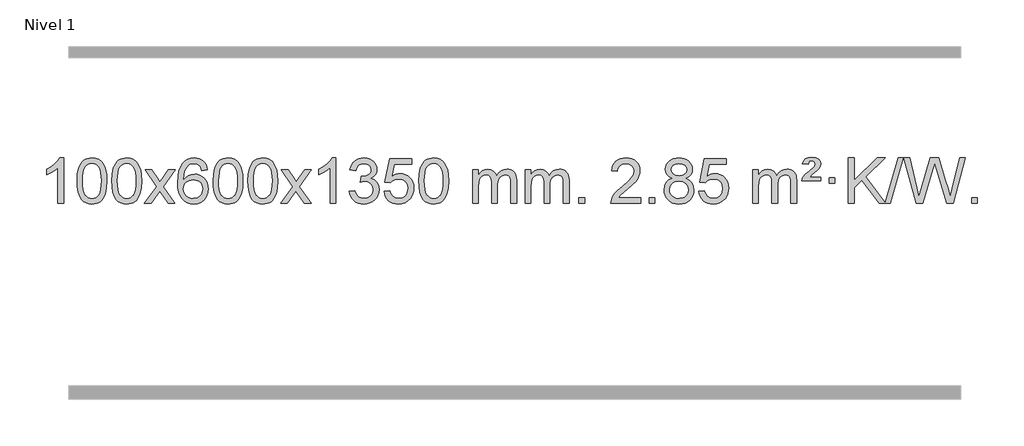
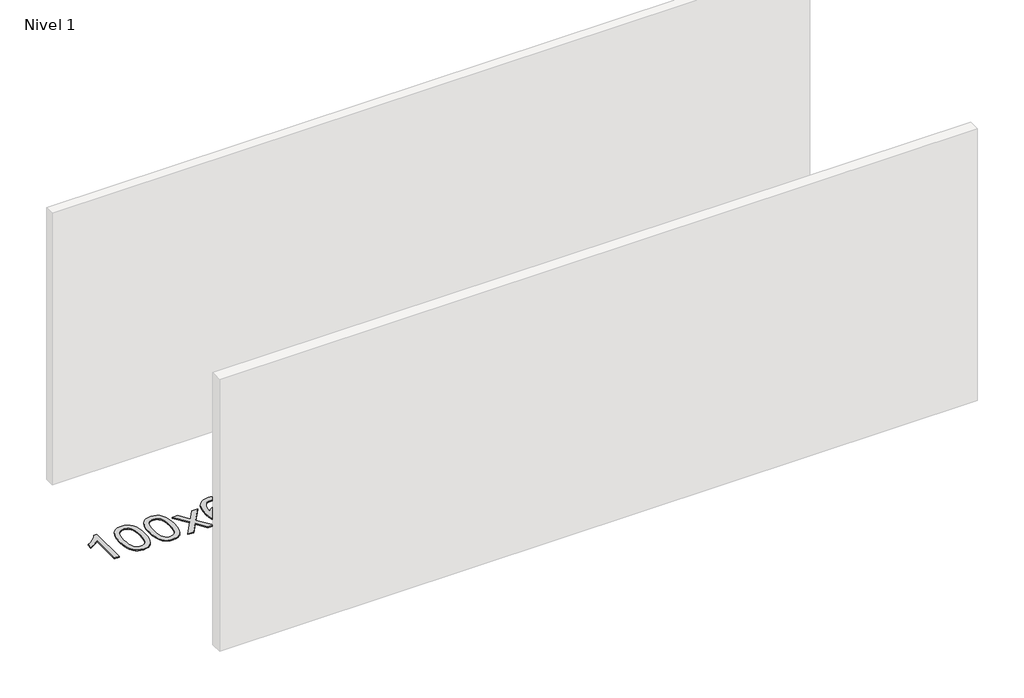
# One storey, part 3 of 7: 1 proxy.
"""IFC4 building model written with IfcOpenShell, lengths in millimetres."""

from ifc_helpers import new_model, si_unit, origin, origin_with_axes, place, context, project, spatial, polyline, outline, extrude, element, save

model = new_model("IFC4")

# Units and contexts
model_context = context("Model", 3, world=origin())
ifc_project = project(units=[si_unit("LENGTHUNIT", "METRE", prefix="MILLI")], contexts=[model_context])

# Site, building, storey
site = spatial("IfcSite", under=ifc_project)
building = spatial("IfcBuilding", under=site)
storey = spatial("IfcBuildingStorey", under=building, Name="Nivel 1", Elevation=0.0)

# Proxy
placement = place(None, origin())
element("IfcBuildingElementProxy", 1, Name="Texto de modelo 1", ObjectType="Texto de modelo 1", at=placement, inside=storey, context=model_context, shape_type="SweptSolid", body=[
    extrude(outline(polyline([(-6575.4615788, -9399.579453), (-6625.6897338, -9399.579453), (-6625.6897338, -9086.4382987), (-6646.6590076, -9103.3976587), (-6673.2691385, -9120.3324932), (-6726.146044, -9145.6918254), (-6726.146044, -9098.2105225), (-6686.6968314, -9076.7507395), (-6652.520594, -9051.219729), (-6625.5793692, -9024.0700378), (-6607.8351943, -8997.7542124), (-6575.4615788, -8997.7542124), (-6575.4615788, -9399.579453)])), origin_with_axes(), (0.0, 0.0, 1.0), 10.0),
    extrude(outline(polyline([(-6456.1697105, -9201.9041943), (-6452.4786278, -9137.5861588), (-6441.4053797, -9086.2911459), (-6423.0603309, -9047.2343407), (-6411.2022679, -9032.0009605), (-6397.5538459, -9019.6309284), (-6382.0690796, -9010.0598651), (-6364.7019837, -9003.2233914), (-6324.3208034, -8997.7542124), (-6293.3696649, -9000.991574), (-6265.6558879, -9010.7036586), (-6242.4793222, -9026.5103217), (-6225.1398175, -9048.0314184), (-6212.0432185, -9075.0830078), (-6201.5953698, -9107.4811488), (-6194.7527647, -9148.6226186), (-6192.4718963, -9201.9041943), (-6196.1261908, -9265.8543477), (-6207.0890743, -9317.0267333), (-6225.3237585, -9356.1203266), (-6237.1542303, -9371.3996922), (-6250.7934553, -9383.8341036), (-6266.2966157, -9393.4695462), (-6283.7188939, -9400.3520052), (-6324.3208034, -9405.8579724), (-6351.9855294, -9403.4667394), (-6376.5109958, -9396.2930405), (-6397.8972024, -9384.3368757), (-6416.1441494, -9367.5982449), (-6433.6553324, -9337.3399508), (-6446.1633202, -9299.6381776), (-6453.6681129, -9254.4929255), (-6456.1697105, -9201.9041943)]), holes=[polyline([(-6405.9415554, -9201.8060924), (-6404.4700274, -9245.4706195), (-6400.0554435, -9280.8148822), (-6392.6978036, -9307.8388804), (-6382.3971077, -9326.5426142), (-6369.9381708, -9339.2682656), (-6356.1058078, -9348.3580165), (-6340.9000186, -9353.8118671), (-6324.3208034, -9355.6298173), (-6307.7415881, -9353.8057357), (-6292.535799, -9348.3334911), (-6278.703436, -9339.2130833), (-6266.2444991, -9326.4445124), (-6255.9438032, -9307.7101217), (-6248.5861633, -9280.6922549), (-6244.1715794, -9245.3909118), (-6242.7000514, -9201.8060924), (-6244.1225284, -9159.2973278), (-6248.3899596, -9124.5753989), (-6255.5023448, -9097.6403055), (-6265.4596842, -9078.4920476), (-6277.7101546, -9065.1440625), (-6291.7019332, -9055.6097875), (-6307.4350198, -9049.8892225), (-6324.9094146, -9047.9823675), (-6341.4027907, -9049.6623619), (-6356.3510624, -9054.7023452), (-6369.7542298, -9063.1023175), (-6381.6122928, -9074.8622786), (-6392.2563452, -9095.708925), (-6399.8592397, -9123.8151094), (-6404.4209765, -9159.1808319), (-6405.9415554, -9201.8060924)])]), origin_with_axes(), (0.0, 0.0, 1.0), 10.0),
    extrude(outline(polyline([(-6148.5222606, -9201.9041943), (-6144.8311779, -9137.5861588), (-6133.7579299, -9086.2911459), (-6115.4128811, -9047.2343407), (-6103.5548181, -9032.0009605), (-6089.9063961, -9019.6309284), (-6074.4216298, -9010.0598651), (-6057.0545339, -9003.2233914), (-6016.6733536, -8997.7542124), (-5985.722215, -9000.991574), (-5958.0084381, -9010.7036586), (-5934.8318724, -9026.5103217), (-5917.4923677, -9048.0314184), (-5904.3957686, -9075.0830078), (-5893.94792, -9107.4811488), (-5887.1053149, -9148.6226186), (-5884.8244465, -9201.9041943), (-5888.478741, -9265.8543477), (-5899.4416244, -9317.0267333), (-5917.6763087, -9356.1203266), (-5929.5067805, -9371.3996922), (-5943.1460055, -9383.8341036), (-5958.6491659, -9393.4695462), (-5976.071444, -9400.3520052), (-6016.6733536, -9405.8579724), (-6044.3380796, -9403.4667394), (-6068.8635459, -9396.2930405), (-6090.2497526, -9384.3368757), (-6108.4966996, -9367.5982449), (-6126.0078825, -9337.3399508), (-6138.5158704, -9299.6381776), (-6146.0206631, -9254.4929255), (-6148.5222606, -9201.9041943)]), holes=[polyline([(-6098.2941056, -9201.8060924), (-6096.8225776, -9245.4706195), (-6092.4079936, -9280.8148822), (-6085.0503537, -9307.8388804), (-6074.7496579, -9326.5426142), (-6062.290721, -9339.2682656), (-6048.4583579, -9348.3580165), (-6033.2525688, -9353.8118671), (-6016.6733536, -9355.6298173), (-6000.0941383, -9353.8057357), (-5984.8883492, -9348.3334911), (-5971.0559862, -9339.2130833), (-5958.5970493, -9326.4445124), (-5948.2963534, -9307.7101217), (-5940.9387135, -9280.6922549), (-5936.5241295, -9245.3909118), (-5935.0526016, -9201.8060924), (-5936.4750786, -9159.2973278), (-5940.7425098, -9124.5753989), (-5947.854895, -9097.6403055), (-5957.8122343, -9078.4920476), (-5970.0627048, -9065.1440625), (-5984.0544833, -9055.6097875), (-5999.78757, -9049.8892225), (-6017.2619648, -9047.9823675), (-6033.7553409, -9049.6623619), (-6048.7036126, -9054.7023452), (-6062.10678, -9063.1023175), (-6073.9648429, -9074.8622786), (-6084.6088953, -9095.708925), (-6092.2117899, -9123.8151094), (-6096.7735266, -9159.1808319), (-6098.2941056, -9201.8060924)])]), origin_with_axes(), (0.0, 0.0, 1.0), 10.0),
    extrude(outline(polyline([(-5859.7103689, -9399.579453), (-5752.3869282, -9251.2494325), (-5853.4318496, -9104.4890419), (-5793.0011005, -9104.4890419), (-5744.2444734, -9175.122385), (-5721.4848406, -9208.4770192), (-5701.7663657, -9181.2047007), (-5646.2407099, -9104.4890419), (-5585.8099608, -9104.4890419), (-5691.9561791, -9251.2494325), (-5589.7340354, -9399.579453), (-5650.1647845, -9399.579453), (-5711.6746541, -9310.4048574), (-5722.9563686, -9294.1199477), (-5799.2796199, -9399.579453), (-5859.7103689, -9399.579453)])), origin_with_axes(), (0.0, 0.0, 1.0), 10.0),
    extrude(outline(polyline([(-5300.9221437, -9104.4890419), (-5351.1502988, -9110.7675613), (-5359.2437027, -9085.874213), (-5370.1820607, -9068.8780648), (-5392.9662189, -9053.2062918), (-5420.5083176, -9047.9823675), (-5443.8565616, -9051.0235253), (-5465.8313794, -9060.1469988), (-5484.7037258, -9079.3627017), (-5500.1179814, -9105.8134171), (-5510.5290419, -9143.227016), (-5514.3918028, -9195.3313693), (-5494.2441322, -9171.8237098), (-5470.0988106, -9155.2567573), (-5443.3047386, -9145.434308), (-5415.2108169, -9142.1601582), (-5391.077758, -9144.398107), (-5368.8086346, -9151.1119534), (-5348.4034466, -9162.3016975), (-5329.862194, -9177.9673391), (-5314.4540698, -9197.1769106), (-5303.4482668, -9218.9984443), (-5296.844785, -9243.4319401), (-5294.6436244, -9270.4773982), (-5298.7884282, -9306.4439945), (-5311.2228396, -9339.786366), (-5330.9167891, -9368.0642287), (-5356.840207, -9388.8372987), (-5387.815871, -9401.602804), (-5422.6665587, -9405.8579724), (-5452.6090874, -9403.0375437), (-5479.6514797, -9394.5762579), (-5503.7937357, -9380.4741147), (-5525.0358552, -9360.7311143), (-5542.3539001, -9334.5133908), (-5554.7239322, -9300.9870783), (-5562.1459515, -9260.1521768), (-5564.6199579, -9212.0086864), (-5561.8731057, -9158.0342663), (-5553.632549, -9111.9693092), (-5539.8982878, -9073.8138149), (-5520.6703222, -9043.5677835), (-5499.8298072, -9023.5243462), (-5475.6660915, -9009.2076052), (-5448.179175, -9000.6175606), (-5417.3690579, -8997.7542124), (-5394.2354118, -8999.5261773), (-5373.2967949, -9004.8420722), (-5354.5532073, -9013.7018969), (-5338.0046489, -9026.1056515), (-5324.0987094, -9041.6364031), (-5313.2829788, -9059.8772186), (-5305.5574569, -9080.8280983), (-5300.9221437, -9104.4890419)]), holes=[polyline([(-5514.3918028, -9269.6925832), (-5511.485535, -9291.9494439), (-5502.7667318, -9313.2007605), (-5489.2286743, -9331.472233), (-5471.8646442, -9344.7895612), (-5450.9076332, -9352.9197533), (-5426.5906333, -9355.6298173), (-5393.4444655, -9350.0134855), (-5379.5293291, -9342.9930708), (-5367.3861575, -9333.1644901), (-5357.5361171, -9320.9262824), (-5350.500374, -9306.6769865), (-5344.8717794, -9272.1451299), (-5350.4267976, -9238.9989621), (-5357.3705702, -9225.3781312), (-5367.0918519, -9213.725469), (-5379.2718117, -9204.3904634), (-5393.5916183, -9197.7226022), (-5428.6507725, -9192.3883133), (-5461.7478893, -9197.7226022), (-5489.4248781, -9213.725469), (-5500.3479076, -9225.2248471), (-5508.1500716, -9238.3858254), (-5512.83137, -9253.2084042), (-5514.3918028, -9269.6925832)])]), origin_with_axes(), (0.0, 0.0, 1.0), 10.0),
    extrude(outline(polyline([(-5250.6939887, -9201.9041943), (-5247.002906, -9137.5861588), (-5235.9296579, -9086.2911459), (-5217.5846091, -9047.2343407), (-5205.7265461, -9032.0009605), (-5192.0781241, -9019.6309284), (-5176.5933578, -9010.0598651), (-5159.2262619, -9003.2233914), (-5118.8450816, -8997.7542124), (-5087.8939431, -9000.991574), (-5060.1801661, -9010.7036586), (-5037.0036004, -9026.5103217), (-5019.6640957, -9048.0314184), (-5006.5674967, -9075.0830078), (-4996.119648, -9107.4811488), (-4989.2770429, -9148.6226186), (-4986.9961745, -9201.9041943), (-4990.650469, -9265.8543477), (-5001.6133525, -9317.0267333), (-5019.8480367, -9356.1203266), (-5031.6785085, -9371.3996922), (-5045.3177335, -9383.8341036), (-5060.8208939, -9393.4695462), (-5078.2431721, -9400.3520052), (-5118.8450816, -9405.8579724), (-5146.5098076, -9403.4667394), (-5171.035274, -9396.2930405), (-5192.4214806, -9384.3368757), (-5210.6684276, -9367.5982449), (-5228.1796106, -9337.3399508), (-5240.6875984, -9299.6381776), (-5248.1923911, -9254.4929255), (-5250.6939887, -9201.9041943)]), holes=[polyline([(-5200.4658336, -9201.8060924), (-5198.9943056, -9245.4706195), (-5194.5797217, -9280.8148822), (-5187.2220818, -9307.8388804), (-5176.9213859, -9326.5426142), (-5164.462449, -9339.2682656), (-5150.630086, -9348.3580165), (-5135.4242968, -9353.8118671), (-5118.8450816, -9355.6298173), (-5102.2658663, -9353.8057357), (-5087.0600772, -9348.3334911), (-5073.2277142, -9339.2130833), (-5060.7687773, -9326.4445124), (-5050.4680814, -9307.7101217), (-5043.1104415, -9280.6922549), (-5038.6958576, -9245.3909118), (-5037.2243296, -9201.8060924), (-5038.6468066, -9159.2973278), (-5042.9142378, -9124.5753989), (-5050.026623, -9097.6403055), (-5059.9839624, -9078.4920476), (-5072.2344328, -9065.1440625), (-5086.2262114, -9055.6097875), (-5101.959298, -9049.8892225), (-5119.4336928, -9047.9823675), (-5135.9270689, -9049.6623619), (-5150.8753406, -9054.7023452), (-5164.278508, -9063.1023175), (-5176.136571, -9074.8622786), (-5186.7806234, -9095.708925), (-5194.3835179, -9123.8151094), (-5198.9452547, -9159.1808319), (-5200.4658336, -9201.8060924)])]), origin_with_axes(), (0.0, 0.0, 1.0), 10.0),
    extrude(outline(polyline([(-4943.0465388, -9201.9041943), (-4939.3554561, -9137.5861588), (-4928.2822081, -9086.2911459), (-4909.9371593, -9047.2343407), (-4898.0790963, -9032.0009605), (-4884.4306743, -9019.6309284), (-4868.945908, -9010.0598651), (-4851.5788121, -9003.2233914), (-4811.1976318, -8997.7542124), (-4780.2464932, -9000.991574), (-4752.5327163, -9010.7036586), (-4729.3561506, -9026.5103217), (-4712.0166459, -9048.0314184), (-4698.9200468, -9075.0830078), (-4688.4721982, -9107.4811488), (-4681.6295931, -9148.6226186), (-4679.3487247, -9201.9041943), (-4683.0030192, -9265.8543477), (-4693.9659026, -9317.0267333), (-4712.2005869, -9356.1203266), (-4724.0310587, -9371.3996922), (-4737.6702837, -9383.8341036), (-4753.1734441, -9393.4695462), (-4770.5957222, -9400.3520052), (-4811.1976318, -9405.8579724), (-4838.8623578, -9403.4667394), (-4863.3878241, -9396.2930405), (-4884.7740308, -9384.3368757), (-4903.0209778, -9367.5982449), (-4920.5321607, -9337.3399508), (-4933.0401486, -9299.6381776), (-4940.5449413, -9254.4929255), (-4943.0465388, -9201.9041943)]), holes=[polyline([(-4892.8183838, -9201.8060924), (-4891.3468558, -9245.4706195), (-4886.9322718, -9280.8148822), (-4879.5746319, -9307.8388804), (-4869.2739361, -9326.5426142), (-4856.8149992, -9339.2682656), (-4842.9826361, -9348.3580165), (-4827.776847, -9353.8118671), (-4811.1976318, -9355.6298173), (-4794.6184165, -9353.8057357), (-4779.4126274, -9348.3334911), (-4765.5802644, -9339.2130833), (-4753.1213275, -9326.4445124), (-4742.8206316, -9307.7101217), (-4735.4629917, -9280.6922549), (-4731.0484077, -9245.3909118), (-4729.5768798, -9201.8060924), (-4730.9993568, -9159.2973278), (-4735.266788, -9124.5753989), (-4742.3791732, -9097.6403055), (-4752.3365125, -9078.4920476), (-4764.586983, -9065.1440625), (-4778.5787615, -9055.6097875), (-4794.3118482, -9049.8892225), (-4811.786243, -9047.9823675), (-4828.2796191, -9049.6623619), (-4843.2278908, -9054.7023452), (-4856.6310582, -9063.1023175), (-4868.4891211, -9074.8622786), (-4879.1331735, -9095.708925), (-4886.7360681, -9123.8151094), (-4891.2978048, -9159.1808319), (-4892.8183838, -9201.8060924)])]), origin_with_axes(), (0.0, 0.0, 1.0), 10.0),
    extrude(outline(polyline([(-4654.2346472, -9399.579453), (-4546.9112064, -9251.2494325), (-4647.9561278, -9104.4890419), (-4587.5253787, -9104.4890419), (-4538.7687516, -9175.122385), (-4516.0091188, -9208.4770192), (-4496.2906439, -9181.2047007), (-4440.7649881, -9104.4890419), (-4380.334239, -9104.4890419), (-4486.4804574, -9251.2494325), (-4384.2583136, -9399.579453), (-4444.6890627, -9399.579453), (-4506.1989323, -9310.4048574), (-4517.4806468, -9294.1199477), (-4593.8038981, -9399.579453), (-4654.2346472, -9399.579453)])), origin_with_axes(), (0.0, 0.0, 1.0), 10.0),
    extrude(outline(polyline([(-4164.5101352, -9399.579453), (-4214.7382902, -9399.579453), (-4214.7382902, -9086.4382987), (-4235.707564, -9103.3976587), (-4262.317695, -9120.3324932), (-4315.1946004, -9145.6918254), (-4315.1946004, -9098.2105225), (-4275.7453878, -9076.7507395), (-4241.5691504, -9051.219729), (-4214.6279257, -9024.0700378), (-4196.8837508, -8997.7542124), (-4164.5101352, -8997.7542124), (-4164.5101352, -9399.579453)])), origin_with_axes(), (0.0, 0.0, 1.0), 10.0),
    extrude(outline(polyline([(-4045.2182669, -9292.8446235), (-3994.9901118, -9286.5661041), (-3983.7451855, -9318.1303793), (-3967.2763348, -9339.4430095), (-3944.7742195, -9351.5831154), (-3915.429499, -9355.6298173), (-3880.9957442, -9350.0625364), (-3866.7219228, -9343.1034354), (-3854.4101387, -9333.3606939), (-3837.4139905, -9308.4428201), (-3831.7486078, -9278.2274455), (-3837.3649396, -9249.5449126), (-3854.213935, -9226.2825078), (-3879.72042, -9210.8682522), (-3911.3092206, -9205.730167), (-3946.5277903, -9211.2238715), (-3940.935984, -9160.9957164), (-3932.891631, -9161.5843276), (-3902.7988838, -9157.979084), (-3875.8944472, -9147.1633534), (-3864.8211992, -9138.9841103), (-3856.9117363, -9128.8673555), (-3852.1660585, -9116.8130888), (-3850.584166, -9102.8213102), (-3855.1704282, -9081.1285352), (-3868.9292148, -9063.5315131), (-3889.923014, -9051.8696539), (-3916.2143139, -9047.9823675), (-3942.5546648, -9051.9064421), (-3964.0880242, -9063.6786659), (-3979.8088481, -9083.299039), (-3988.7115924, -9110.7675613), (-4038.9397475, -9104.4890419), (-4032.9861905, -9080.5092672), (-4024.1508913, -9059.3867093), (-4012.4338497, -9041.1213683), (-3997.8350659, -9025.713244), (-3980.8143922, -9013.4811677), (-3961.8316813, -9004.7439703), (-3940.886933, -8999.5016519), (-3917.9801475, -8997.7542124), (-3886.4036096, -9001.2000404), (-3857.4022456, -9011.5375245), (-3832.9503557, -9027.8469596), (-3815.0222398, -9049.2086408), (-3804.0225681, -9073.8199463), (-3800.3560109, -9099.8782543), (-3803.8386271, -9124.1584659), (-3814.2864758, -9146.1823347), (-3831.5524041, -9164.9443165), (-3855.4892592, -9179.4388671), (-3824.0476114, -9192.1430586), (-3800.7484183, -9213.77452), (-3786.3274441, -9243.1560286), (-3781.5204527, -9279.1103623), (-3783.9239484, -9304.5923218), (-3791.1344355, -9328.0631931), (-3803.151914, -9349.5229762), (-3819.976384, -9368.971671), (-3840.4735425, -9385.1094278), (-3863.5090867, -9396.636397), (-3889.0830168, -9403.5525785), (-3917.1953326, -9405.8579724), (-3942.6037157, -9403.8898037), (-3965.7557559, -9397.9852977), (-3986.6514532, -9388.1444543), (-4005.2908077, -9374.3672736), (-4020.9196611, -9357.4630959), (-4032.7838554, -9338.2412617), (-4040.8833907, -9316.7017708), (-4045.2182669, -9292.8446235)])), origin_with_axes(), (0.0, 0.0, 1.0), 10.0),
    extrude(outline(polyline([(-3737.570817, -9292.8446235), (-3687.342662, -9286.5661041), (-3678.1210866, -9316.7201649), (-3662.0323807, -9338.3148381), (-3639.1501206, -9351.3010725), (-3609.5478827, -9355.6298173), (-3590.418019, -9354.1245668), (-3573.5444981, -9349.6088153), (-3558.9273202, -9342.0825628), (-3546.5664851, -9331.5458094), (-3536.7379045, -9318.519721), (-3529.7174898, -9303.5254641), (-3524.101158, -9267.6324441), (-3529.3618705, -9233.8363514), (-3535.9377612, -9219.9181493), (-3545.1440081, -9207.9865099), (-3557.0112681, -9198.4154467), (-3571.5701981, -9191.5789729), (-3608.7630678, -9186.1097939), (-3633.1291186, -9188.2925604), (-3652.8598563, -9194.8408599), (-3668.6174684, -9204.8717757), (-3681.0641426, -9217.5023908), (-3731.2922977, -9211.2238715), (-3687.342662, -9004.0327318), (-3492.708561, -9004.0327318), (-3492.708561, -9054.2608869), (-3646.7284897, -9054.2608869), (-3668.2127982, -9164.919791), (-3650.4870174, -9152.2155994), (-3632.332041, -9143.1411769), (-3613.7478688, -9137.6965234), (-3594.734501, -9135.8816388), (-3570.273414, -9138.1318504), (-3547.8050212, -9144.882485), (-3527.3293225, -9156.1335427), (-3508.8463179, -9171.8850234), (-3493.5454926, -9191.1743027), (-3482.6163316, -9213.038756), (-3476.0588351, -9237.4783832), (-3473.8730029, -9264.4931844), (-3475.8411716, -9290.5147042), (-3481.7456776, -9314.7213394), (-3491.586521, -9337.1130902), (-3505.3637017, -9357.6899565), (-3526.2348735, -9378.7634634), (-3550.5886616, -9393.8159684), (-3578.4250659, -9402.8474714), (-3609.7440864, -9405.8579724), (-3635.6644387, -9403.9235262), (-3659.077062, -9398.1201877), (-3679.9819564, -9388.447957), (-3698.3791218, -9374.9068338), (-3713.6860785, -9358.1712688), (-3725.3203466, -9338.915712), (-3733.2819261, -9317.1401636), (-3737.570817, -9292.8446235)])), origin_with_axes(), (0.0, 0.0, 1.0), 10.0),
    extrude(outline(polyline([(-3429.9233672, -9201.9041943), (-3426.2322845, -9137.5861588), (-3415.1590365, -9086.2911459), (-3396.8139876, -9047.2343407), (-3384.9559247, -9032.0009605), (-3371.3075026, -9019.6309284), (-3355.8227363, -9010.0598651), (-3338.4556405, -9003.2233914), (-3298.0744601, -8997.7542124), (-3267.1233216, -9000.991574), (-3239.4095446, -9010.7036586), (-3216.2329789, -9026.5103217), (-3198.8934742, -9048.0314184), (-3185.7968752, -9075.0830078), (-3175.3490265, -9107.4811488), (-3168.5064214, -9148.6226186), (-3166.2255531, -9201.9041943), (-3169.8798475, -9265.8543477), (-3180.842731, -9317.0267333), (-3199.0774152, -9356.1203266), (-3210.9078871, -9371.3996922), (-3224.547112, -9383.8341036), (-3240.0502724, -9393.4695462), (-3257.4725506, -9400.3520052), (-3298.0744601, -9405.8579724), (-3325.7391862, -9403.4667394), (-3350.2646525, -9396.2930405), (-3371.6508592, -9384.3368757), (-3389.8978061, -9367.5982449), (-3407.4089891, -9337.3399508), (-3419.9169769, -9299.6381776), (-3427.4217696, -9254.4929255), (-3429.9233672, -9201.9041943)]), holes=[polyline([(-3379.6952121, -9201.8060924), (-3378.2236842, -9245.4706195), (-3373.8091002, -9280.8148822), (-3366.4514603, -9307.8388804), (-3356.1507644, -9326.5426142), (-3343.6918275, -9339.2682656), (-3329.8594645, -9348.3580165), (-3314.6536754, -9353.8118671), (-3298.0744601, -9355.6298173), (-3281.4952449, -9353.8057357), (-3266.2894558, -9348.3334911), (-3252.4570927, -9339.2130833), (-3239.9981558, -9326.4445124), (-3229.69746, -9307.7101217), (-3222.3398201, -9280.6922549), (-3217.9252361, -9245.3909118), (-3216.4537081, -9201.8060924), (-3217.8761852, -9159.2973278), (-3222.1436163, -9124.5753989), (-3229.2560016, -9097.6403055), (-3239.2133409, -9078.4920476), (-3251.4638113, -9065.1440625), (-3265.4555899, -9055.6097875), (-3281.1886766, -9049.8892225), (-3298.6630713, -9047.9823675), (-3315.1564474, -9049.6623619), (-3330.1047192, -9054.7023452), (-3343.5078865, -9063.1023175), (-3355.3659495, -9074.8622786), (-3366.0100019, -9095.708925), (-3373.6128965, -9123.8151094), (-3378.1746332, -9159.1808319), (-3379.6952121, -9201.8060924)])]), origin_with_axes(), (0.0, 0.0, 1.0), 10.0),
    extrude(outline(polyline([(-2952.755894, -9399.579453), (-2952.755894, -9104.4890419), (-2902.5277389, -9104.4890419), (-2902.5277389, -9153.0494653), (-2887.4200517, -9130.7435537), (-2867.9958823, -9113.2691589), (-2844.9174185, -9101.9751816), (-2818.8468478, -9098.2105225), (-2790.9123416, -9102.048758), (-2768.5205908, -9113.5634645), (-2751.7942228, -9131.9943524), (-2740.8558648, -9156.5811324), (-2722.5476041, -9131.0439906), (-2701.6641696, -9112.803175), (-2678.205561, -9101.8586857), (-2652.1717785, -9098.2105225), (-2632.0639617, -9099.7280358), (-2614.414823, -9104.2805755), (-2599.2243623, -9111.8681416), (-2586.4925796, -9122.4907342), (-2576.4279413, -9136.2709806), (-2569.238914, -9153.3315082), (-2564.9254976, -9173.6723168), (-2563.4876922, -9197.2934066), (-2563.4876922, -9399.579453), (-2613.7158472, -9399.579453), (-2613.7158472, -9218.875817), (-2614.8808069, -9193.8230531), (-2618.3756858, -9176.9372695), (-2624.9239854, -9165.3735121), (-2635.2492067, -9156.2868268), (-2648.5297467, -9150.4007149), (-2663.9440023, -9148.4386776), (-2691.1550072, -9153.4663982), (-2713.3382915, -9168.54956), (-2721.9436645, -9180.1194488), (-2728.0903595, -9194.7182326), (-2733.0077155, -9233.0024856), (-2733.0077155, -9399.579453), (-2783.2358706, -9399.579453), (-2783.2358706, -9213.2840106), (-2786.1421384, -9184.8835206), (-2794.8609417, -9164.6254854), (-2810.2016209, -9152.4853796), (-2832.9735164, -9148.4386776), (-2852.3241093, -9151.1364789), (-2870.1541233, -9159.2298828), (-2884.8694032, -9172.5226856), (-2894.8757934, -9190.8186835), (-2900.6147525, -9216.2025411), (-2902.5277389, -9250.7589232), (-2902.5277389, -9399.579453), (-2952.755894, -9399.579453)])), origin_with_axes(), (0.0, 0.0, 1.0), 10.0),
    extrude(outline(polyline([(-2488.1454596, -9399.579453), (-2488.1454596, -9104.4890419), (-2437.9173045, -9104.4890419), (-2437.9173045, -9153.0494653), (-2422.8096172, -9130.7435537), (-2403.3854479, -9113.2691589), (-2380.306984, -9101.9751816), (-2354.2364133, -9098.2105225), (-2326.3019071, -9102.048758), (-2303.9101564, -9113.5634645), (-2287.1837883, -9131.9943524), (-2276.2454303, -9156.5811324), (-2257.9371697, -9131.0439906), (-2237.0537351, -9112.803175), (-2213.5951266, -9101.8586857), (-2187.561344, -9098.2105225), (-2167.4535273, -9099.7280358), (-2149.8043886, -9104.2805755), (-2134.6139279, -9111.8681416), (-2121.8821452, -9122.4907342), (-2111.8175069, -9136.2709806), (-2104.6284796, -9153.3315082), (-2100.3150632, -9173.6723168), (-2098.8772577, -9197.2934066), (-2098.8772577, -9399.579453), (-2149.1054128, -9399.579453), (-2149.1054128, -9218.875817), (-2150.2703724, -9193.8230531), (-2153.7652514, -9176.9372695), (-2160.3135509, -9165.3735121), (-2170.6387722, -9156.2868268), (-2183.9193123, -9150.4007149), (-2199.3335679, -9148.4386776), (-2226.5445728, -9153.4663982), (-2248.7278571, -9168.54956), (-2257.3332301, -9180.1194488), (-2263.4799251, -9194.7182326), (-2268.3972811, -9233.0024856), (-2268.3972811, -9399.579453), (-2318.6254362, -9399.579453), (-2318.6254362, -9213.2840106), (-2321.5317039, -9184.8835206), (-2330.2505072, -9164.6254854), (-2345.5911864, -9152.4853796), (-2368.3630819, -9148.4386776), (-2387.7136749, -9151.1364789), (-2405.5436889, -9159.2298828), (-2420.2589687, -9172.5226856), (-2430.265359, -9190.8186835), (-2436.0043181, -9216.2025411), (-2437.9173045, -9250.7589232), (-2437.9173045, -9399.579453), (-2488.1454596, -9399.579453)])), origin_with_axes(), (0.0, 0.0, 1.0), 10.0),
    extrude(outline(polyline([(-2010.9779863, -9399.579453), (-2010.9779863, -9349.3512979), (-1960.7498313, -9349.3512979), (-1960.7498313, -9399.579453), (-2010.9779863, -9399.579453)])), origin_with_axes(), (0.0, 0.0, 1.0), 10.0),
    extrude(outline(polyline([(-1464.7467999, -9349.3512979), (-1464.7467999, -9399.579453), (-1728.444614, -9399.579453), (-1727.3409681, -9381.8965918), (-1723.0490115, -9364.9494945), (-1710.6636509, -9337.8856424), (-1692.5393313, -9311.6311307), (-1666.3216078, -9284.1503456), (-1629.6560356, -9253.4076736), (-1575.454755, -9205.2641831), (-1542.9339866, -9169.7267824), (-1526.6736024, -9140.884834), (-1521.2534744, -9112.8277005), (-1526.3670341, -9087.6768347), (-1541.7077133, -9066.7688747), (-1565.2889492, -9052.6789943), (-1595.124179, -9047.9823675), (-1626.4554623, -9052.5686297), (-1650.7969876, -9066.3274163), (-1666.5055488, -9088.1796068), (-1671.9379396, -9117.0460807), (-1722.1660947, -9110.7675613), (-1717.8465469, -9084.838012), (-1709.9892006, -9062.1826125), (-1698.5940558, -9042.8013627), (-1683.6611125, -9026.6942627), (-1665.5337272, -9014.0329907), (-1644.5552564, -9004.989225), (-1620.7257002, -8999.5629655), (-1594.0450585, -8997.7542124), (-1567.1252935, -8999.7653006), (-1543.1669785, -9005.7985654), (-1522.1701137, -9015.8540066), (-1504.1346989, -9029.9316242), (-1489.6493453, -9046.9890861), (-1479.3026642, -9065.9840598), (-1473.0946555, -9086.9165453), (-1471.0253193, -9109.7865427), (-1473.2571367, -9133.8092369), (-1479.952589, -9157.4149983), (-1491.8351775, -9181.4254299), (-1509.6284033, -9206.6621347), (-1537.9921051, -9236.7916701), (-1581.5861216, -9275.4805933), (-1639.3681203, -9323.795762), (-1662.0296512, -9349.3512979), (-1464.7467999, -9349.3512979)])), origin_with_axes(), (0.0, 0.0, 1.0), 10.0),
    extrude(outline(polyline([(-1389.4045673, -9399.579453), (-1389.4045673, -9349.3512979), (-1339.1764122, -9349.3512979), (-1339.1764122, -9399.579453), (-1389.4045673, -9399.579453)])), origin_with_axes(), (0.0, 0.0, 1.0), 10.0),
    extrude(outline(polyline([(-1184.3716686, -9178.2616447), (-1211.2638425, -9165.0178929), (-1230.1361888, -9147.0652515), (-1241.2830133, -9124.7716026), (-1244.9986215, -9098.5048281), (-1242.9752705, -9078.0199324), (-1236.9052176, -9059.2395565), (-1226.7884627, -9042.1637006), (-1212.6250059, -9026.7923645), (-1195.0954288, -9014.088173), (-1174.8803132, -9005.0137504), (-1151.979659, -8999.5690969), (-1126.3934662, -8997.7542124), (-1100.6846461, -8999.6120165), (-1077.6123136, -9005.1854287), (-1057.1764688, -9014.4744491), (-1039.3771116, -9027.4790776), (-1024.9561374, -9043.1508506), (-1014.6554415, -9060.4413044), (-1008.475024, -9079.3504389), (-1006.4148848, -9099.8782543), (-1010.0814421, -9125.2989001), (-1021.0811137, -9147.2124043), (-1039.5365271, -9165.0546811), (-1065.5703097, -9178.2616447), (-1034.6559593, -9194.1909351), (-1012.153844, -9217.6495436), (-998.4318456, -9247.5092989), (-993.8578461, -9282.6420295), (-996.1264517, -9307.6947933), (-1002.9322686, -9330.6628926), (-1014.2752968, -9351.5463272), (-1030.1555363, -9370.3450971), (-1049.7391211, -9385.88198), (-1072.1921856, -9396.9797536), (-1097.5147296, -9403.6384177), (-1125.7067531, -9405.8579724), (-1153.8987767, -9403.6292206), (-1179.2213207, -9396.9429654), (-1201.6743852, -9385.7992066), (-1221.25797, -9370.1979443), (-1237.1382095, -9351.26735), (-1248.4812377, -9330.135595), (-1255.2870546, -9306.8026795), (-1257.5556602, -9281.2686033), (-1252.7977197, -9244.7747094), (-1238.5238983, -9214.7555386), (-1215.46996, -9192.2411605), (-1184.3716686, -9178.2616447)]), holes=[polyline([(-1194.7704664, -9099.9763561), (-1190.3190942, -9121.902123), (-1176.9649778, -9139.413306), (-1155.1005246, -9150.8912243), (-1125.118142, -9154.717197), (-1095.8347351, -9150.9157497), (-1074.3013757, -9139.5114079), (-1061.0576239, -9122.5888361), (-1056.6430399, -9102.232699), (-1061.2047767, -9081.1040098), (-1074.8899869, -9063.629615), (-1096.7176519, -9051.8941794), (-1125.7067531, -9047.9823675), (-1154.8797954, -9051.8083402), (-1176.6706722, -9063.2862585), (-1190.2455178, -9080.1107284), (-1194.7704664, -9099.9763561)]), polyline([(-1207.3275051, -9279.5027698), (-1205.2305778, -9298.7184726), (-1198.9397957, -9317.3210389), (-1187.3269873, -9333.5446349), (-1169.2639814, -9345.623427), (-1147.6325201, -9353.1282197), (-1125.3143457, -9355.6298173), (-1091.1258456, -9350.3691048), (-1077.2321689, -9343.7932141), (-1065.4722078, -9334.5869672), (-1049.4325528, -9310.6869002), (-1044.0860012, -9281.0723996), (-1049.6042311, -9250.9551269), (-1066.1589209, -9226.5277625), (-1078.237713, -9217.0854579), (-1092.4011699, -9210.3409547), (-1126.9820774, -9204.9453521), (-1160.6923309, -9210.2673783), (-1174.4296577, -9216.919911), (-1186.0884513, -9226.2334569), (-1202.0177417, -9250.1948375), (-1207.3275051, -9279.5027698)])]), origin_with_axes(), (0.0, 0.0, 1.0), 10.0),
    extrude(outline(polyline([(-949.9082104, -9292.8446235), (-899.6800553, -9286.5661041), (-890.45848, -9316.7201649), (-874.369774, -9338.3148381), (-851.4875139, -9351.3010725), (-821.8852761, -9355.6298173), (-802.7554123, -9354.1245668), (-785.8818915, -9349.6088153), (-771.2647135, -9342.0825628), (-758.9038785, -9331.5458094), (-749.0752979, -9318.519721), (-742.0548831, -9303.5254641), (-736.4385513, -9267.6324441), (-741.6992639, -9233.8363514), (-748.2751545, -9219.9181493), (-757.4814014, -9207.9865099), (-769.3486615, -9198.4154467), (-783.9075914, -9191.5789729), (-821.1004611, -9186.1097939), (-845.466512, -9188.2925604), (-865.1972496, -9194.8408599), (-880.9548618, -9204.8717757), (-893.4015359, -9217.5023908), (-943.629691, -9211.2238715), (-899.6800553, -9004.0327318), (-705.0459544, -9004.0327318), (-705.0459544, -9054.2608869), (-859.065883, -9054.2608869), (-880.5501916, -9164.919791), (-862.8244108, -9152.2155994), (-844.6694343, -9143.1411769), (-826.0852622, -9137.6965234), (-807.0718944, -9135.8816388), (-782.6108074, -9138.1318504), (-760.1424145, -9144.882485), (-739.6667158, -9156.1335427), (-721.1837113, -9171.8850234), (-705.8828859, -9191.1743027), (-694.953725, -9213.038756), (-688.3962284, -9237.4783832), (-686.2103962, -9264.4931844), (-688.1785649, -9290.5147042), (-694.0830709, -9314.7213394), (-703.9239143, -9337.1130902), (-717.701095, -9357.6899565), (-738.5722669, -9378.7634634), (-762.926055, -9393.8159684), (-790.7624593, -9402.8474714), (-822.0814798, -9405.8579724), (-848.001832, -9403.9235262), (-871.4144553, -9398.1201877), (-892.3193497, -9388.447957), (-910.7165152, -9374.9068338), (-926.0234719, -9358.1712688), (-937.6577399, -9338.915712), (-945.6193195, -9317.1401636), (-949.9082104, -9292.8446235)])), origin_with_axes(), (0.0, 0.0, 1.0), 10.0),
    extrude(outline(polyline([(-472.7407372, -9399.579453), (-472.7407372, -9104.4890419), (-422.5125821, -9104.4890419), (-422.5125821, -9153.0494653), (-407.4048948, -9130.7435537), (-387.9807255, -9113.2691589), (-364.9022617, -9101.9751816), (-338.8316909, -9098.2105225), (-310.8971848, -9102.048758), (-288.505434, -9113.5634645), (-271.7790659, -9131.9943524), (-260.840708, -9156.5811324), (-242.5324473, -9131.0439906), (-221.6490127, -9112.803175), (-198.1904042, -9101.8586857), (-172.1566217, -9098.2105225), (-152.0488049, -9099.7280358), (-134.3996662, -9104.2805755), (-119.2092055, -9111.8681416), (-106.4774228, -9122.4907342), (-96.4127845, -9136.2709806), (-89.2237572, -9153.3315082), (-84.9103408, -9173.6723168), (-83.4725353, -9197.2934066), (-83.4725353, -9399.579453), (-133.7006904, -9399.579453), (-133.7006904, -9218.875817), (-134.8656501, -9193.8230531), (-138.360529, -9176.9372695), (-144.9088285, -9165.3735121), (-155.2340499, -9156.2868268), (-168.5145899, -9150.4007149), (-183.9288455, -9148.4386776), (-211.1398504, -9153.4663982), (-233.3231347, -9168.54956), (-241.9285077, -9180.1194488), (-248.0752027, -9194.7182326), (-252.9925587, -9233.0024856), (-252.9925587, -9399.579453), (-303.2207138, -9399.579453), (-303.2207138, -9213.2840106), (-306.1269816, -9184.8835206), (-314.8457848, -9164.6254854), (-330.186464, -9152.4853796), (-352.9583595, -9148.4386776), (-372.3089525, -9151.1364789), (-390.1389665, -9159.2298828), (-404.8542463, -9172.5226856), (-414.8606366, -9190.8186835), (-420.5995957, -9216.2025411), (-422.5125821, -9250.7589232), (-422.5125821, -9399.579453), (-472.7407372, -9399.579453)])), origin_with_axes(), (0.0, 0.0, 1.0), 10.0),
    extrude(outline(polyline([(-39.5228997, -9198.6668327), (-35.6969269, -9182.8479069), (-27.3582683, -9166.9799302), (-5.8494344, -9141.8413272), (26.1072483, -9114.1030247), (70.2530877, -9076.726214), (77.3899984, -9065.1992448), (79.7689686, -9053.3779701), (77.8805077, -9041.2869152), (72.215125, -9031.5012541), (62.8463969, -9025.026531), (49.8478997, -9022.8682899), (37.4134883, -9024.4869707), (28.5597949, -9029.343013), (22.1341227, -9038.8098431), (16.9837748, -9054.2608869), (-33.2443803, -9047.9823675), (-22.4041241, -9022.7701881), (-5.775858, -9005.2099542), (17.9893189, -8994.9092583), (50.2403072, -8991.475693), (86.0229626, -8995.6082341), (110.7691581, -9008.0058573), (125.1901323, -9026.3386434), (129.9971237, -9048.2766731), (125.9013708, -9071.1834586), (113.6141122, -9092.8149199), (93.0862969, -9112.6314968), (56.6169284, -9140.6886303), (31.0123416, -9167.2742358), (129.9971237, -9167.2742358), (129.9971237, -9198.6668327), (-39.5228997, -9198.6668327)])), origin_with_axes(), (0.0, 0.0, 1.0), 10.0),
    extrude(outline(polyline([(205.3393563, -9223.7809102), (205.3393563, -9173.5527552), (255.5675114, -9173.5527552), (255.5675114, -9223.7809102), (205.3393563, -9223.7809102)])), origin_with_axes(), (0.0, 0.0, 1.0), 10.0),
    extrude(outline(polyline([(646.2091394, -9399.579453), (492.7778219, -9196.9009991), (425.0875348, -9261.4520265), (425.0875348, -9399.579453), (374.8593797, -9399.579453), (374.8593797, -8997.7542124), (425.0875348, -8997.7542124), (425.0875348, -9194.4484525), (631.1014521, -8997.7542124), (701.3423877, -8997.7542124), (528.388799, -9162.9577537), (703.0424089, -9393.5349332), (814.3557366, -8997.7542124), (859.6787984, -8997.7542124), (746.6654495, -9399.579453), (707.6209071, -9399.579453), (701.3423877, -9399.579453), (646.2091394, -9399.579453)])), origin_with_axes(), (0.0, 0.0, 1.0), 10.0),
    extrude(outline(polyline([(974.1636753, -9399.579453), (864.5838917, -8997.7542124), (916.3816766, -8997.7542124), (979.9516854, -9261.844434), (999.5720585, -9343.3670841), (1020.5658576, -9271.2622131), (1100.2245723, -8997.7542124), (1174.8800919, -8997.7542124), (1232.7601925, -9196.0180823), (1257.5554389, -9269.5944814), (1275.8269114, -9343.3670841), (1294.8586732, -9264.1988788), (1359.0172932, -8997.7542124), (1410.8150781, -8997.7542124), (1301.1371926, -9399.579453), (1247.4754723, -9399.579453), (1151.1394405, -9089.5775584), (1137.6994849, -9046.3146358), (1122.5917976, -9098.4067263), (1034.7906281, -9399.579453), (974.1636753, -9399.579453)])), origin_with_axes(), (0.0, 0.0, 1.0), 10.0),
    extrude(outline(polyline([(1467.3217526, -9399.579453), (1467.3217526, -9349.3512979), (1517.5499077, -9349.3512979), (1517.5499077, -9399.579453), (1467.3217526, -9399.579453)])), origin_with_axes(), (0.0, 0.0, 1.0), 10.0),
])

save(model, "model.ifc")
